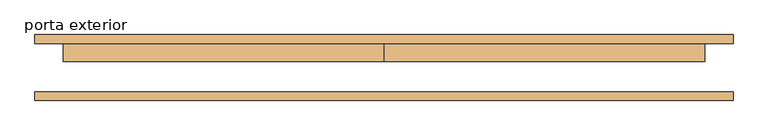
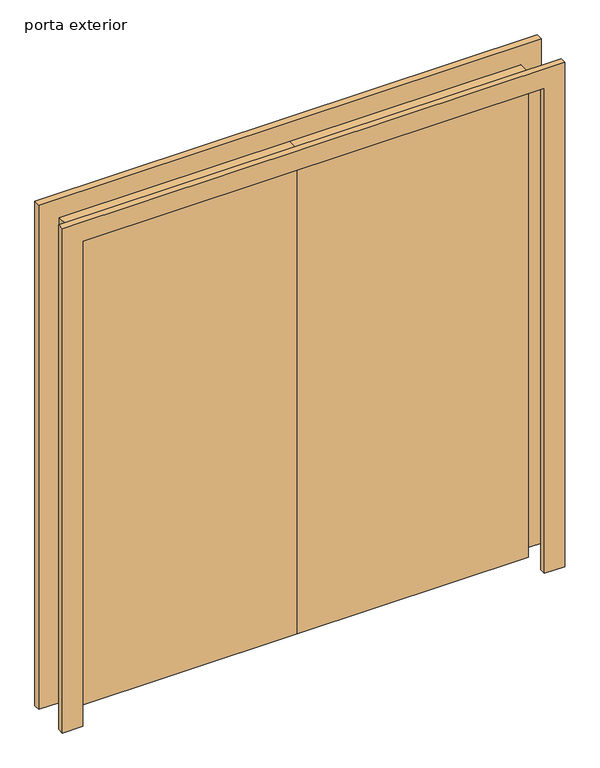
"""IFC4 building model written with IfcOpenShell, lengths in millimetres: door geometry, porta exterior."""

from ifc_helpers import new_model, si_unit, frame, origin, origin_with_axes, place, context, project, spatial, polyline, outline, extrude, source, transform, mapped, element, save


def porta_exterior_999e58d9(model_context):
    return source(origin(), model_context, "Body", "SweptSolid", [
        extrude(outline(polyline([(2000.0, -900.0), (2000.0, 900.0), (0.0, 900.0), (0.0, 980.0), (2080.0, 980.0), (2080.0, -980.0), (0.0, -980.0), (0.0, -900.0), (2000.0, -900.0)])), frame((0.0, -92.75, 0.0), z_axis=(0.0, 1.0, 0.0), x_axis=(0.0, 0.0, 1.0)), (0.0, 0.0, 1.0), 25.0),
        extrude(outline(polyline([(2000.0, -900.0), (2000.0, 900.0), (0.0, 900.0), (0.0, 980.0), (2080.0, 980.0), (2080.0, -980.0), (0.0, -980.0), (0.0, -900.0), (2000.0, -900.0)])), frame((0.0, 67.75, 0.0), z_axis=(0.0, 1.0, 0.0), x_axis=(0.0, 0.0, 1.0)), (0.0, 0.0, 1.0), 25.0),
        extrude(outline(polyline([(0.0, 67.75), (900.0, 67.75), (900.0, 17.75), (0.0, 17.75), (0.0, 67.75)])), origin_with_axes(), (0.0, 0.0, 1.0), 2000.0),
        extrude(outline(polyline([(-900.0, 67.75), (0.0, 67.75), (0.0, 17.75), (-900.0, 17.75), (-900.0, 67.75)])), origin_with_axes(), (0.0, 0.0, 1.0), 2000.0),
    ])


if __name__ == "__main__":
    model = new_model("IFC4")
    model_context = context("Model", 3, world=origin())
    ifc_project = project(units=[si_unit("LENGTHUNIT", "METRE", prefix="MILLI")], contexts=[model_context])
    site = spatial("IfcSite", under=ifc_project)
    building = spatial("IfcBuilding", under=site)
    placement = place(None, origin())
    porta_exterior_shape = porta_exterior_999e58d9(model_context)
    element("IfcDoor", 1, ObjectType="porta exterior", at=placement, inside=building, context=model_context, shape_type="MappedRepresentation", body=[
        mapped(porta_exterior_shape, transform((0.0, 0.0, 0.0), x_axis=(1.0, 0.0, 0.0), y_axis=(0.0, 1.0, 0.0), z_axis=(0.0, 0.0, 1.0))),
    ])
    save(model, "model.ifc")
